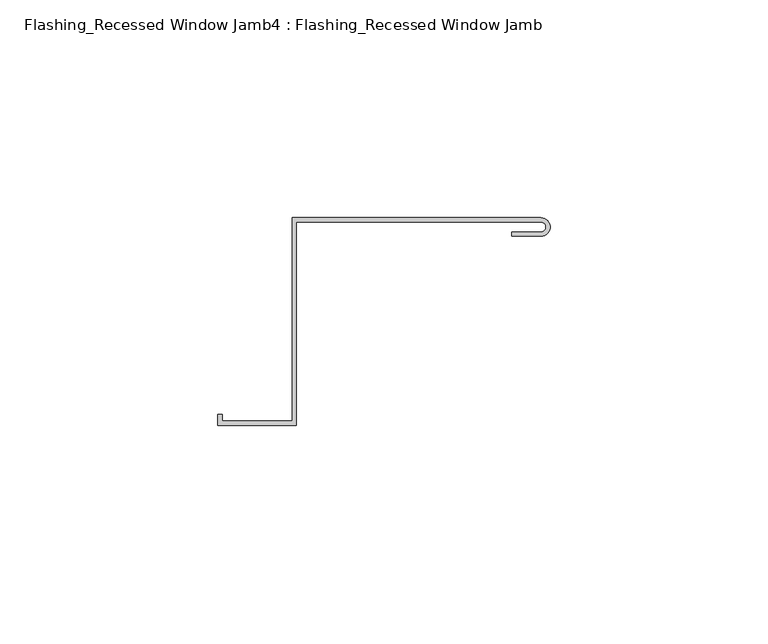
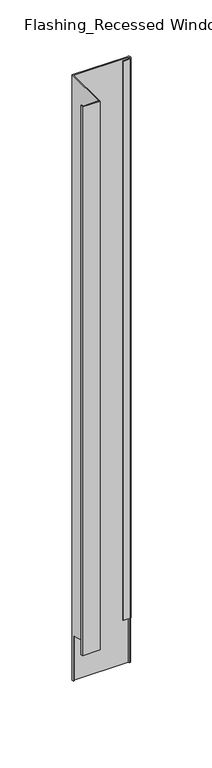
"""IFC4 building model written with IfcOpenShell, lengths in millimetres: proxy geometry, Flashing_Recessed Window Jamb4 : Flashing_Recessed Window Jamb."""

from ifc_helpers import new_model, si_unit, frame, origin, place, context, project, spatial, polyline, circle_curve, ellipse_curve, source, transform, mapped, element, save
from ifc_brep_helpers import plane_surface, cylinder_surface, revolved_surface, advanced_brep


def flashing_recessed_window_jamb4_flashing_recessed_window_jamb_2f14bd16(model_context):
    return source(origin(), model_context, "Body", "AdvancedBrep", [
        advanced_brep(
        [(8483.5658281, 658.7344915, -27.6721404), (8426.4791786, 658.7344915, -27.6721404), (8426.4791786, 612.0490096, -27.6721404), (8410.4479286, 612.0490096, -27.6721404), (8410.4479286, 613.5934881, -27.6721404), (8409.4479286, 613.5934881, -27.6721404), (8409.4479286, 611.0490096, -27.6721404), (8427.4791786, 611.0490096, -27.6721404), (8427.4791786, 657.7344915, -27.6721404), (8483.5658281, 657.7344915, -27.6721404), (8483.5658281, 655.4621574, -27.6721404), (8476.8470781, 655.4621574, -27.6721404), (8476.8470781, 654.4621574, -27.6721404), (8483.5658281, 654.4621574, -27.6721404), (8483.5658281, 657.7344915, -688.2016371), (8427.4791786, 657.7344915, -688.2016371), (8427.4791786, 656.8026399, -688.2016371), (8426.4791786, 656.8026399, -688.2016371), (8426.4791786, 658.7344915, -688.2016371), (8483.5658281, 658.7344915, -688.2016371), (8485.6922018, 656.8026399, -688.2016371), (8484.6834734, 656.8026399, -688.2016371), (8426.4791786, 656.8026399, -638.7682442), (8426.4791786, 612.0490096, -626.7765451), (8410.4479286, 612.0490096, -626.7765451), (8410.4479286, 613.5934881, -627.1903869), (8409.4479286, 613.5934881, -627.1903869), (8409.4479286, 611.0490096, -626.5085959), (8427.4791786, 611.0490096, -626.5085959), (8427.4791786, 656.8026399, -638.7682442), (8476.8470781, 654.4621574, -638.1411138), (8483.5658281, 654.4621574, -638.1411138), (8476.8470781, 655.4621574, -638.409063), (8483.5658281, 655.4621574, -638.409063), (8484.6834734, 656.8026399, -638.7682442), (8485.6922018, 656.8026399, -638.7682442)],
        [
            (0, 1),
            (1, 2),
            (2, 3),
            (3, 4),
            (4, 5),
            (5, 6),
            (6, 7),
            (7, 8),
            (8, 9),
            (9, 10, circle_curve(frame((8483.5658281, 656.5983245, -27.6721404), z_axis=(0.0, 0.0, -1.0), x_axis=(1.0, 0.0, 0.0)), 1.1361671)),
            (10, 11),
            (11, 12),
            (12, 13),
            (13, 0, circle_curve(frame((8483.5658281, 656.5983245, -27.6721404), z_axis=(0.0, 0.0, 1.0), x_axis=(1.0, 0.0, 0.0)), 2.1361671)),
            (14, 15),
            (15, 16),
            (16, 17),
            (17, 18),
            (18, 19),
            (19, 20, circle_curve(frame((8483.5658281, 656.5983245, -688.2016371), z_axis=(0.0, 0.0, -1.0), x_axis=(1.0, 0.0, 0.0)), 2.1361671)),
            (20, 21),
            (21, 14, circle_curve(frame((8483.5658281, 656.5983245, -688.2016371), z_axis=(0.0, 0.0, 1.0), x_axis=(1.0, 0.0, 0.0)), 1.1361671)),
            (0, 19),
            (18, 1),
            (17, 22),
            (22, 23),
            (23, 2),
            (23, 24),
            (24, 3),
            (24, 25),
            (25, 4),
            (25, 26),
            (26, 5),
            (26, 27),
            (27, 6),
            (27, 28),
            (28, 7),
            (28, 29),
            (29, 16),
            (15, 8),
            (14, 9),
            (12, 30),
            (30, 31),
            (31, 13),
            (11, 32),
            (32, 30),
            (10, 33),
            (33, 32),
            (21, 34),
            (34, 33, ellipse_curve(frame((8483.5658281, 656.5983245, -638.713498), z_axis=(0.0, -0.25881904510252046, -0.9659258262890684), x_axis=(0.0, 0.9659258262890684, -0.25881904510251985)), 1.1762467, 1.1361671)),
            (31, 35, ellipse_curve(frame((8483.5658281, 656.5983245, -638.713498), z_axis=(0.0, 0.25881904510252046, 0.9659258262890684), x_axis=(0.0, -0.9659258262890684, 0.25881904510251985)), 2.2115229, 2.1361671)),
            (35, 20),
            (22, 29),
            (34, 35),
        ],
        [
            plane_surface(frame((8411.4791786, 612.0490096, -27.6721404), z_axis=(0.0, 0.0, 1.0), x_axis=(-1.0, 0.0, 0.0))),
            plane_surface(frame((8411.4791786, 612.0490096, -688.2016371), z_axis=(0.0, 0.0, -1.0), x_axis=(1.0, 0.0, 0.0))),
            plane_surface(frame((8483.5658281, 658.7344915, -27.6721404), z_axis=(0.0, 1.0, 0.0), x_axis=(0.0, 0.0, -1.0))),
            plane_surface(frame((8426.4791786, 658.7344915, -27.6721404), z_axis=(-1.0, 0.0, 0.0), x_axis=(0.0, 0.0, -1.0))),
            plane_surface(frame((8426.4791786, 612.0490096, -27.6721404), z_axis=(0.0, 1.0, 0.0), x_axis=(0.0, 0.0, -1.0))),
            plane_surface(frame((8410.4479286, 612.0490096, -27.6721404), z_axis=(1.0, 0.0, 0.0), x_axis=(0.0, 0.0, -1.0))),
            plane_surface(frame((8410.4479286, 613.5934881, -27.6721404), z_axis=(0.0, 1.0, 0.0), x_axis=(0.0, 0.0, -1.0))),
            plane_surface(frame((8409.4479286, 613.5934881, -27.6721404), z_axis=(-1.0, 0.0, 0.0), x_axis=(0.0, 0.0, -1.0))),
            plane_surface(frame((8409.4479286, 611.0490096, -27.6721404), z_axis=(0.0, -1.0, 0.0), x_axis=(0.0, 0.0, -1.0))),
            plane_surface(frame((8427.4791786, 611.0490096, -27.6721404), z_axis=(1.0, 0.0, 0.0), x_axis=(0.0, 0.0, -1.0))),
            plane_surface(frame((8427.4791786, 657.7344915, -27.6721404), z_axis=(0.0, -1.0, 0.0), x_axis=(0.0, 0.0, -1.0))),
            plane_surface(frame((8476.8470781, 654.4621574, -27.6721404), z_axis=(0.0, -1.0, 0.0), x_axis=(0.0, 0.0, -1.0))),
            plane_surface(frame((8476.8470781, 655.4621574, -27.6721404), z_axis=(-1.0, 0.0, 0.0), x_axis=(0.0, 0.0, -1.0))),
            plane_surface(frame((8483.5658281, 655.4621574, -27.6721404), z_axis=(0.0, 1.0, 0.0), x_axis=(0.0, 0.0, -1.0))),
            revolved_surface(polyline([(8484.7019952, 656.5983245, -688.2016371), (8484.7019952, 656.5983245, -27.67214039999999)]), (8483.5658281, 656.5983245, -688.2016371), (0.0, 0.0, -1.0)),
            cylinder_surface(frame((8483.5658281, 656.5983245, -688.2016371), z_axis=(0.0, 0.0, 1.0), x_axis=(1.0, 0.0, 0.0)), 2.1361671),
            plane_surface(frame((8338.0345781, 56.8026399, -477.9987287), z_axis=(0.0, -0.25881904510252046, -0.9659258262890684), x_axis=(1.0, 0.0, 0.0))),
            plane_surface(frame((8338.0345781, 656.8026399, -638.7682442), z_axis=(0.0, -1.0, 0.0), x_axis=(1.0, 0.0, 0.0))),
        ],
        [
            (0, [[1, 2, 3, 4, 5, 6, 7, 8, 9, 10, 11, 12, 13, 14]]),
            (1, [[15, 16, 17, 18, 19, 20, 21, 22]]),
            (2, [[-1, 23, -19, 24]]),
            (3, [[-2, -24, -18, 25, 26, 27]]),
            (4, [[-3, -27, 28, 29]]),
            (5, [[-4, -29, 30, 31]]),
            (6, [[-5, -31, 32, 33]]),
            (7, [[-6, -33, 34, 35]]),
            (8, [[-7, -35, 36, 37]]),
            (9, [[-8, -37, 38, 39, -16, 40]]),
            (10, [[-9, -40, -15, 41]]),
            (11, [[-13, 42, 43, 44]]),
            (12, [[-12, 45, 46, -42]]),
            (13, [[-11, 47, 48, -45]]),
            (14, [[-10, -41, -22, 49, 50, -47]]),
            (15, [[-14, -44, 51, 52, -20, -23]]),
            (16, [[53, -38, -36, -34, -32, -30, -28, -26]]),
            (16, [[54, -51, -43, -46, -48, -50]]),
            (17, [[-53, -25, -17, -39]]),
            (17, [[-54, -49, -21, -52]]),
        ],
    ),
    ])


if __name__ == "__main__":
    model = new_model("IFC4")
    model_context = context("Model", 3, world=origin())
    ifc_project = project(units=[si_unit("LENGTHUNIT", "METRE", prefix="MILLI")], contexts=[model_context])
    site = spatial("IfcSite", under=ifc_project)
    building = spatial("IfcBuilding", under=site)
    placement = place(None, origin())
    flashing_recessed_window_jamb4_flashing_recessed_window_jamb_shape = flashing_recessed_window_jamb4_flashing_recessed_window_jamb_2f14bd16(model_context)
    element("IfcBuildingElementProxy", 1, Name="Flashing_Recessed Window Jamb4 : Flashing_Recessed Window Jamb", ObjectType="Flashing_Recessed Window Jamb4 : Flashing_Recessed Window Jamb", at=placement, inside=building, context=model_context, shape_type="MappedRepresentation", body=[
        mapped(flashing_recessed_window_jamb4_flashing_recessed_window_jamb_shape, transform((0.0, 0.0, 0.0), x_axis=(1.0, 0.0, 0.0), y_axis=(0.0, 1.0, 0.0), z_axis=(0.0, 0.0, 1.0))),
    ])
    save(model, "model.ifc")
